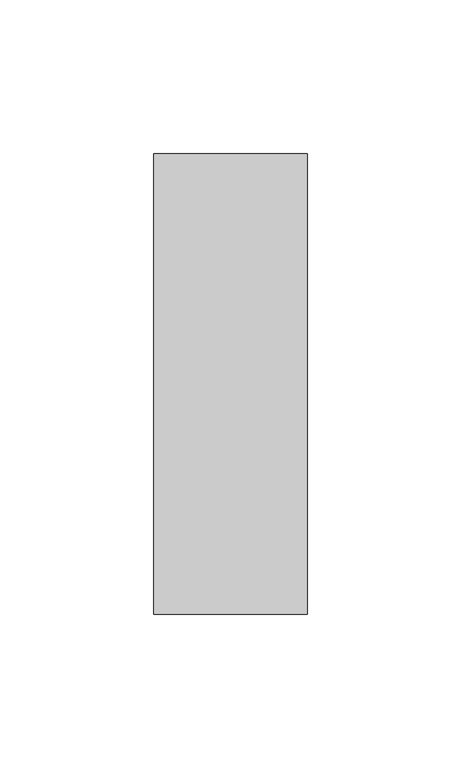
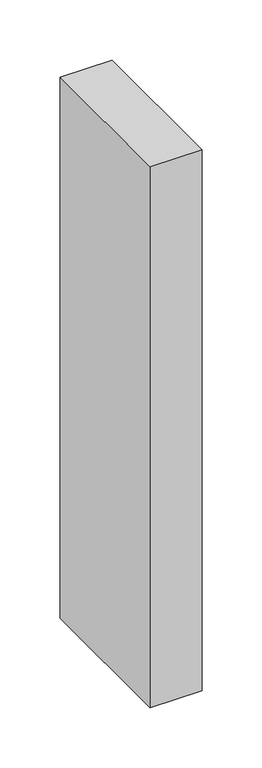
"""IFC4 building model written with IfcOpenShell, lengths in millimetres: member geometry."""

from ifc_helpers import new_model, si_unit, frame, origin, place, context, project, spatial, polyline, outline, extrude, source, transform, mapped, element, save


def member_5dbd0429(model_context):
    return source(origin(), model_context, "Body", "SweptSolid", [
        extrude(outline(polyline([(0.0, 75.0), (0.0, -75.0), (-50.0, -75.0), (-50.0, 75.0), (0.0, 75.0)])), frame((0.0, 0.0, -550.0), z_axis=(0.0, 0.0, 1.0), x_axis=(1.0, 0.0, 0.0)), (0.0, 0.0, 1.0), 550.0),
    ])


if __name__ == "__main__":
    model = new_model("IFC4")
    model_context = context("Model", 3, world=origin())
    ifc_project = project(units=[si_unit("LENGTHUNIT", "METRE", prefix="MILLI")], contexts=[model_context])
    site = spatial("IfcSite", under=ifc_project)
    building = spatial("IfcBuilding", under=site)
    placement = place(None, origin())
    member_shape = member_5dbd0429(model_context)
    element("IfcMember", 1, at=placement, inside=building, context=model_context, shape_type="MappedRepresentation", body=[
        mapped(member_shape, transform((0.0, 0.0, 0.0), x_axis=(1.0, 0.0, 0.0), y_axis=(0.0, 1.0, 0.0), z_axis=(0.0, 0.0, 1.0))),
    ])
    save(model, "model.ifc")
